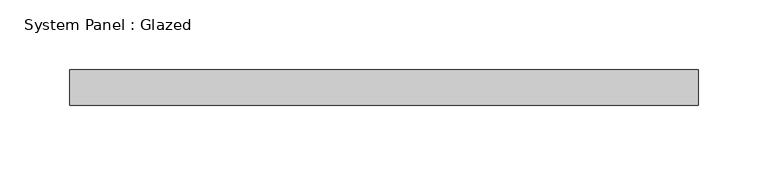
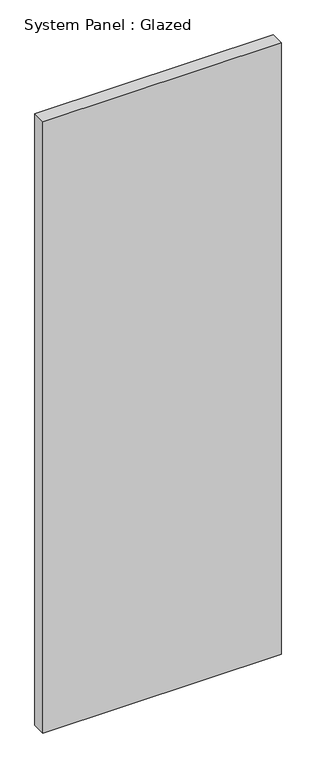
"""IFC4 building model written with IfcOpenShell, lengths in millimetres: plate geometry, System Panel : Glazed."""

from ifc_helpers import new_model, si_unit, origin, origin_with_axes, place, context, project, spatial, polyline, outline, extrude, source, transform, mapped, element, save


def system_panel_glazed_66b4c350(model_context):
    return source(origin(), model_context, "Body", "SweptSolid", [
        extrude(outline(polyline([(224.7511416, 19.05), (-224.7511416, 19.05), (-224.7511416, 44.45), (224.7511416, 44.45), (224.7511416, 19.05)])), origin_with_axes(), (0.0, 0.0, 1.0), 1219.2),
    ])


if __name__ == "__main__":
    model = new_model("IFC4")
    model_context = context("Model", 3, world=origin())
    ifc_project = project(units=[si_unit("LENGTHUNIT", "METRE", prefix="MILLI")], contexts=[model_context])
    site = spatial("IfcSite", under=ifc_project)
    building = spatial("IfcBuilding", under=site)
    placement = place(None, origin())
    system_panel_glazed_shape = system_panel_glazed_66b4c350(model_context)
    element("IfcPlate", 1, ObjectType="System Panel : Glazed", at=placement, inside=building, context=model_context, shape_type="MappedRepresentation", body=[
        mapped(system_panel_glazed_shape, transform((0.0, 0.0, 0.0), x_axis=(1.0, 0.0, 0.0), y_axis=(0.0, 1.0, 0.0), z_axis=(0.0, 0.0, 1.0))),
    ])
    save(model, "model.ifc")
